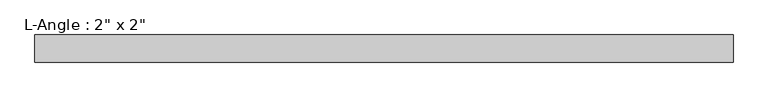
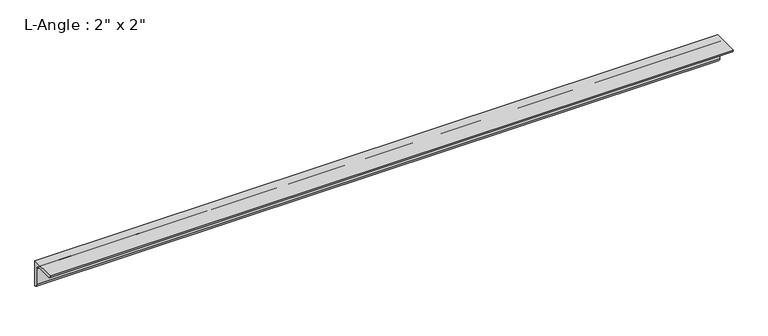
"""IFC4 building model written with IfcOpenShell, lengths in millimetres: beam geometry."""

from ifc_helpers import new_model, si_unit, point, frame, frame_2d, origin, place, context, project, spatial, polyline, circle_curve, trimmed, segment, composite_curve, outline, extrude, source, transform, mapped, element, save


def beam_8c611525(model_context):
    return source(origin(), model_context, "Body", "SweptSolid", [
        extrude(outline(composite_curve([segment(polyline([(0.0, 0.0), (0.0, -50.8)]), True, "CONTINUOUS"), segment(trimmed(circle_curve(frame_2d((0.0, -44.45)), 6.35), [point((0.0, -50.8))], [point((-6.35, -44.45))], False, "CARTESIAN"), True, "CONTINUOUS"), segment(polyline([(-6.35, -44.45), (-6.35, -12.7)]), True, "CONTINUOUS"), segment(trimmed(circle_curve(frame_2d((-12.7, -12.7)), 6.35), [point((-6.35, -12.7))], [point((-12.7, -6.35))], True, "CARTESIAN"), True, "CONTINUOUS"), segment(polyline([(-12.7, -6.35), (-44.45, -6.35)]), True, "CONTINUOUS"), segment(trimmed(circle_curve(frame_2d((-44.45, 0.0)), 6.35), [point((-44.45, -6.35))], [point((-50.8, 0.0))], False, "CARTESIAN"), True, "CONTINUOUS"), segment(polyline([(-50.8, 0.0), (0.0, 0.0)]), True, "CONTINUOUS")], self_intersect=False)), frame((-654.5578148, 0.0, 0.0), z_axis=(1.0, 0.0, 0.0), x_axis=(0.0, 1.0, 0.0)), (0.0, 0.0, 1.0), 1309.1156296),
    ])


if __name__ == "__main__":
    model = new_model("IFC4")
    model_context = context("Model", 3, world=origin())
    ifc_project = project(units=[si_unit("LENGTHUNIT", "METRE", prefix="MILLI")], contexts=[model_context])
    site = spatial("IfcSite", under=ifc_project)
    building = spatial("IfcBuilding", under=site)
    placement = place(None, origin())
    beam_shape = beam_8c611525(model_context)
    element("IfcBeam", 1, ObjectType="L-Angle : 2\" x 2\"", at=placement, inside=building, context=model_context, shape_type="MappedRepresentation", body=[
        mapped(beam_shape, transform((0.0, 0.0, 0.0), x_axis=(1.0, 0.0, 0.0), y_axis=(0.0, 1.0, 0.0), z_axis=(0.0, 0.0, 1.0))),
    ])
    save(model, "model.ifc")
